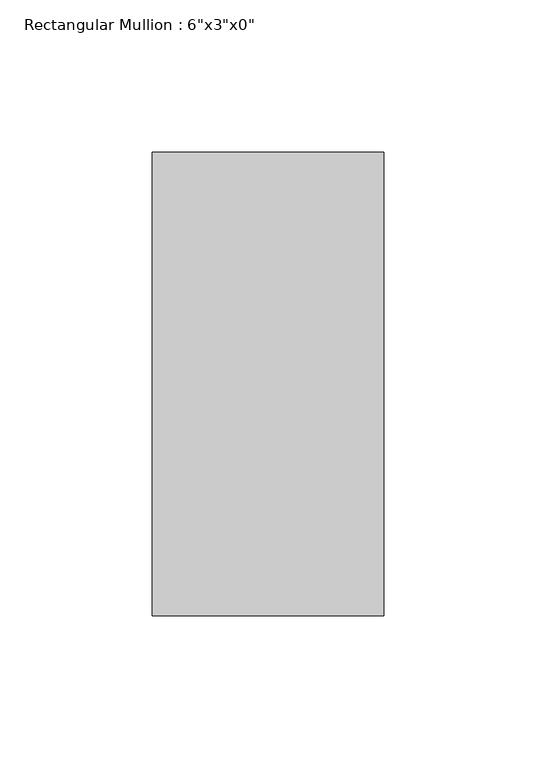
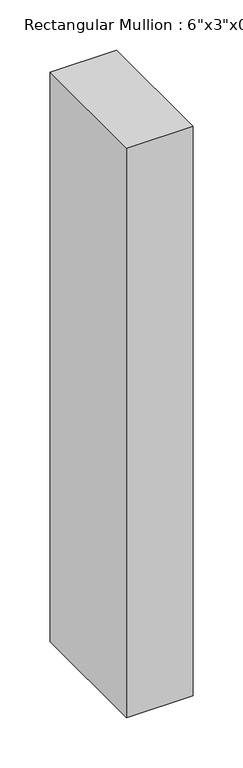
"""IFC4 building model written with IfcOpenShell, lengths in millimetres: member geometry."""

import ifcopenshell
import ifcopenshell.guid

model = None  # the IFC model being written
_history = None  # IfcOwnerHistory: only IFC2X3 demands one
_inside = {}  # id of a spatial element -> (the spatial element, [elements in it])
_under = {}  # id of a project, library or spatial element -> (it, [spatial elements below it])
_declared = {}  # id of a project -> (the project, [libraries it declares])
_typed = {}  # id of a type object -> (the type object, [elements of that type])
_made_of = {}  # id of a material, layer set ... -> (it, [elements and type objects made of it])


def new_model(schema):
    """Start an empty IFC model of exactly this schema.

    Asked for "IFC4X3", IfcOpenShell would pick the latest addendum, in which some entities
    have other attributes; the version numbers below select the first issue.
    IFC2X3 requires an IfcOwnerHistory on every rooted entity: one is made here for all.
    """
    global model, _history
    if schema == "IFC4X3":
        model = ifcopenshell.file(schema_version=(4, 3, 0, 0))
    else:
        model = ifcopenshell.file(schema=schema)
    _inside.clear()
    _under.clear()
    _declared.clear()
    _typed.clear()
    _made_of.clear()
    _history = None
    if model.schema == "IFC2X3":
        org = make("IfcOrganization", Name="unknown")
        user = make(
            "IfcPersonAndOrganization",
            ThePerson=make("IfcPerson", FamilyName="unknown"),
            TheOrganization=org,
        )
        app = make(
            "IfcApplication",
            ApplicationDeveloper=org,
            Version="unknown",
            ApplicationFullName="unknown",
            ApplicationIdentifier="unknown",
        )
        _history = make(
            "IfcOwnerHistory",
            OwningUser=user,
            OwningApplication=app,
            ChangeAction="ADDED",
            CreationDate=0,
        )
    return model


def make(cls, **values):
    """One entity of the class cls with the attributes given. An attribute that is None is left unset."""
    return model.create_entity(
        cls, **{name: value for name, value in values.items() if value is not None}
    )


def rooted(cls, **values):
    """An entity with a GlobalId (a new one), such as an element, a storey or a relation."""
    return make(cls, GlobalId=ifcopenshell.guid.new(), OwnerHistory=_history, **values)


def si_unit(unit_type, name, prefix=None):
    """IfcSIUnit, for example si_unit("LENGTHUNIT", "METRE", prefix="MILLI")."""
    return make("IfcSIUnit", UnitType=unit_type, Prefix=prefix, Name=name)


def assignment(units):
    """IfcUnitAssignment: the units of a project."""
    return None if units is None else make("IfcUnitAssignment", Units=units)


def point(xyz):
    """IfcCartesianPoint."""
    return None if xyz is None else make("IfcCartesianPoint", Coordinates=xyz)


def direction(xyz):
    """IfcDirection."""
    return None if xyz is None else make("IfcDirection", DirectionRatios=xyz)


def frame(location, z_axis=None, x_axis=None):
    """IfcAxis2Placement3D, a coordinate frame: its origin and axes. An axis left out is left unset."""
    return make(
        "IfcAxis2Placement3D",
        Location=point(location),
        Axis=direction(z_axis),
        RefDirection=direction(x_axis),
    )


def origin():
    """The frame at (0, 0, 0) with its axes left unset."""
    return frame((0.0, 0.0, 0.0))


def place(relative_to, where):
    """IfcLocalPlacement: puts the frame where relative to a parent placement (None: the world)."""
    return make(
        "IfcLocalPlacement", PlacementRelTo=relative_to, RelativePlacement=where
    )


def context(
    kind, dimensions, precision=None, world=None, true_north=None, identifier=None
):
    """IfcGeometricRepresentationContext, for example the 3D "Model" context."""
    return make(
        "IfcGeometricRepresentationContext",
        ContextIdentifier=identifier,
        ContextType=kind,
        CoordinateSpaceDimension=dimensions,
        Precision=precision,
        WorldCoordinateSystem=world,
        TrueNorth=true_north,
    )


def project(units=None, contexts=None):
    """IfcProject with its units and contexts."""
    return rooted(
        "IfcProject",
        Name="project",
        RepresentationContexts=contexts,
        UnitsInContext=assignment(units),
    )


def spatial(cls, under=None, at=None, **own):
    """A site, building, storey or space (cls), placed at a placement, below another one or the project."""
    s = rooted(cls, ObjectPlacement=at, **own)
    if under is not None:
        _under.setdefault(under.id(), (under, []))[1].append(s)
    return s


def polyline(points):
    """IfcPolyline through the points."""
    return make("IfcPolyline", Points=[point(p) for p in points])


def outline(outer, holes=None, kind="AREA"):
    """IfcArbitraryClosedProfileDef: a profile drawn as a closed curve; with holes, ...WithVoids."""
    if holes is None:
        return make("IfcArbitraryClosedProfileDef", ProfileType=kind, OuterCurve=outer)
    return make(
        "IfcArbitraryProfileDefWithVoids",
        ProfileType=kind,
        OuterCurve=outer,
        InnerCurves=holes,
    )


def extrude(swept, where, along, depth):
    """IfcExtrudedAreaSolid: the profile swept, set in the frame where, extruded along a direction by depth."""
    return make(
        "IfcExtrudedAreaSolid",
        SweptArea=swept,
        Position=where,
        ExtrudedDirection=direction(along),
        Depth=depth,
    )


def shape(context_of_items, identifier, shape_type, items):
    """IfcShapeRepresentation: the items that make up one representation, for example the "Body"."""
    return make(
        "IfcShapeRepresentation",
        ContextOfItems=context_of_items,
        RepresentationIdentifier=identifier,
        RepresentationType=shape_type,
        Items=items,
    )


def source(mapping_origin, context_of_items, identifier, shape_type, items):
    """IfcRepresentationMap: a shape defined once, which mapped items show again and again."""
    return make(
        "IfcRepresentationMap",
        MappingOrigin=mapping_origin,
        MappedRepresentation=shape(context_of_items, identifier, shape_type, items),
    )


def transform(
    local_origin,
    x_axis=None,
    y_axis=None,
    z_axis=None,
    scale=None,
    scale2=None,
    scale3=None,
    uniform=True,
):
    """IfcCartesianTransformationOperator3D, or its non-uniform kind. x_axis, y_axis, z_axis: its Axis1, 2, 3."""
    if uniform:
        return make(
            "IfcCartesianTransformationOperator3D",
            Axis1=direction(x_axis),
            Axis2=direction(y_axis),
            LocalOrigin=point(local_origin),
            Scale=scale,
            Axis3=direction(z_axis),
        )
    return make(
        "IfcCartesianTransformationOperator3DnonUniform",
        Axis1=direction(x_axis),
        Axis2=direction(y_axis),
        LocalOrigin=point(local_origin),
        Scale=scale,
        Axis3=direction(z_axis),
        Scale2=scale2,
        Scale3=scale3,
    )


def mapped(mapping_source, mapping_target):
    """IfcMappedItem: shows the shape of a source again, moved by a transform."""
    return make(
        "IfcMappedItem", MappingSource=mapping_source, MappingTarget=mapping_target
    )


def made_of(thing, what):
    """Note that an element or type object is made of a material, layer set ...; save() writes the relation."""
    if what is not None:
        _made_of.setdefault(what.id(), (what, []))[1].append(thing)
    return thing


def element(
    cls,
    number,
    at=None,
    inside=None,
    cuts=None,
    type_object=None,
    material=None,
    context=None,
    identifier="Body",
    shape_type=None,
    held_by="IfcProductDefinitionShape",
    body=None,
    shapes=None,
    **own,
):
    """One element of the class cls, such as IfcWall. Its Tag is "e" and its number.

    at: its placement. inside: the storey or other place that contains it. cuts: it is an
    opening in that element (IfcRelVoidsElement). A single representation is given by context,
    identifier, shape_type and body (its items); several are given by shapes. held_by: the class
    of the entity that holds the representations. save() writes the other relations.
    """
    e = rooted(cls, Tag="e%d" % number, ObjectPlacement=at, **own)
    if body is not None:
        shapes = [shape(context, identifier, shape_type, body)]
    if shapes is not None:
        e.Representation = make(held_by, Representations=shapes)
    if inside is not None:
        _inside.setdefault(inside.id(), (inside, []))[1].append(e)
    if cuts is not None:
        rooted(
            "IfcRelVoidsElement", RelatingBuildingElement=cuts, RelatedOpeningElement=e
        )
    if type_object is not None:
        _typed.setdefault(type_object.id(), (type_object, []))[1].append(e)
    return made_of(e, material)


def aggregate(whole, parts):
    """IfcRelAggregates: a whole, such as a stair, and the parts it consists of."""
    return rooted("IfcRelAggregates", RelatingObject=whole, RelatedObjects=parts)


def save(model, path):
    """Write the relations noted so far, then the file.

    IfcRelAggregates (storeys below a building ...), IfcRelContainedInSpatialStructure (elements
    in a storey), IfcRelDefinesByType, IfcRelAssociatesMaterial and IfcRelDeclares: one each for
    every whole, place, type object, material and project.
    """
    for whole, parts in _under.values():
        aggregate(whole, parts)
    for where, things in _inside.values():
        rooted(
            "IfcRelContainedInSpatialStructure",
            RelatedElements=things,
            RelatingStructure=where,
        )
    for kind, things in _typed.values():
        rooted("IfcRelDefinesByType", RelatedObjects=things, RelatingType=kind)
    for what, things in _made_of.values():
        rooted("IfcRelAssociatesMaterial", RelatedObjects=things, RelatingMaterial=what)
    for by, libraries in _declared.values():
        rooted("IfcRelDeclares", RelatingContext=by, RelatedDefinitions=libraries)
    model.write(path)


def member_5aed8911(model_context):
    return source(origin(), model_context, "Body", "SweptSolid", [
        extrude(outline(polyline([(38.1, 76.2), (38.1, -76.2), (-38.1, -76.2), (-38.1, 76.2), (38.1, 76.2)])), frame((0.0, 0.0, -692.15), z_axis=(0.0, 0.0, 1.0), x_axis=(1.0, 0.0, 0.0)), (0.0, 0.0, 1.0), 692.15),
    ])


if __name__ == "__main__":
    model = new_model("IFC4")
    model_context = context("Model", 3, world=origin())
    ifc_project = project(units=[si_unit("LENGTHUNIT", "METRE", prefix="MILLI")], contexts=[model_context])
    site = spatial("IfcSite", under=ifc_project)
    building = spatial("IfcBuilding", under=site)
    placement = place(None, origin())
    member_shape = member_5aed8911(model_context)
    element("IfcMember", 1, ObjectType="Rectangular Mullion : 6\"x3\"x0\"", at=placement, inside=building, context=model_context, shape_type="MappedRepresentation", body=[
        mapped(member_shape, transform((0.0, 0.0, 0.0), x_axis=(1.0, 0.0, 0.0), y_axis=(0.0, 1.0, 0.0), z_axis=(0.0, 0.0, 1.0))),
    ])
    save(model, "model.ifc")
